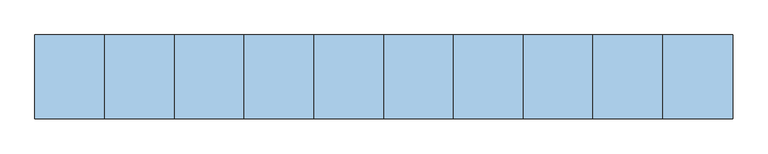
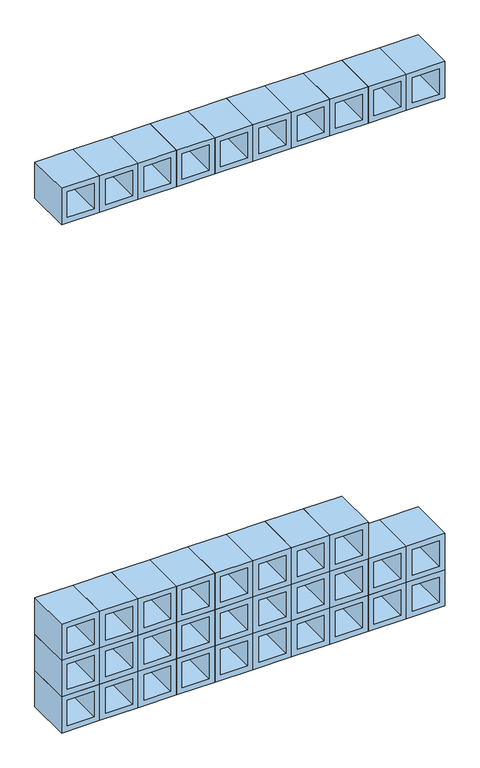
"""IFC4 building model written with IfcOpenShell, lengths in millimetres: window geometry."""

from ifc_helpers import new_model, si_unit, frame, origin, place, context, project, spatial, polyline, outline, extrude, source, transform, mapped, element, save


def window_ac12c204(model_context):
    return source(origin(), model_context, "Body", "SweptSolid", [
        extrude(outline(polyline([(1000.0, 300.0), (1100.0, 300.0), (1100.0, 200.0), (1000.0, 200.0), (1000.0, 300.0)]), holes=[polyline([(1085.0, 215.0), (1085.0, 285.0), (1015.0, 285.0), (1015.0, 215.0), (1085.0, 215.0)])]), frame((0.0, -60.0, 0.0), z_axis=(0.0, 1.0, 0.0), x_axis=(0.0, 0.0, 1.0)), (0.0, 0.0, 1.0), 120.0),
        extrude(outline(polyline([(1000.0, 200.0), (1100.0, 200.0), (1100.0, 100.0), (1000.0, 100.0), (1000.0, 200.0)]), holes=[polyline([(1085.0, 115.0), (1085.0, 185.0), (1015.0, 185.0), (1015.0, 115.0), (1085.0, 115.0)])]), frame((0.0, -60.0, 0.0), z_axis=(0.0, 1.0, 0.0), x_axis=(0.0, 0.0, 1.0)), (0.0, 0.0, 1.0), 120.0),
        extrude(outline(polyline([(1000.0, 100.0), (1100.0, 100.0), (1100.0, 0.0), (1000.0, 0.0), (1000.0, 100.0)]), holes=[polyline([(1085.0, 15.0), (1085.0, 85.0), (1015.0, 85.0), (1015.0, 15.0), (1085.0, 15.0)])]), frame((0.0, -60.0, 0.0), z_axis=(0.0, 1.0, 0.0), x_axis=(0.0, 0.0, 1.0)), (0.0, 0.0, 1.0), 120.0),
        extrude(outline(polyline([(1000.0, 0.0), (1100.0, 0.0), (1100.0, -100.0), (1000.0, -100.0), (1000.0, 0.0)]), holes=[polyline([(1085.0, -85.0), (1085.0, -15.0), (1015.0, -15.0), (1015.0, -85.0), (1085.0, -85.0)])]), frame((0.0, -60.0, 0.0), z_axis=(0.0, 1.0, 0.0), x_axis=(0.0, 0.0, 1.0)), (0.0, 0.0, 1.0), 120.0),
        extrude(outline(polyline([(1000.0, -100.0), (1100.0, -100.0), (1100.0, -200.0), (1000.0, -200.0), (1000.0, -100.0)]), holes=[polyline([(1085.0, -185.0), (1085.0, -115.0), (1015.0, -115.0), (1015.0, -185.0), (1085.0, -185.0)])]), frame((0.0, -60.0, 0.0), z_axis=(0.0, 1.0, 0.0), x_axis=(0.0, 0.0, 1.0)), (0.0, 0.0, 1.0), 120.0),
        extrude(outline(polyline([(1000.0, -200.0), (1100.0, -200.0), (1100.0, -300.0), (1000.0, -300.0), (1000.0, -200.0)]), holes=[polyline([(1085.0, -285.0), (1085.0, -215.0), (1015.0, -215.0), (1015.0, -285.0), (1085.0, -285.0)])]), frame((0.0, -60.0, 0.0), z_axis=(0.0, 1.0, 0.0), x_axis=(0.0, 0.0, 1.0)), (0.0, 0.0, 1.0), 120.0),
        extrude(outline(polyline([(1000.0, -300.0), (1100.0, -300.0), (1100.0, -400.0), (1000.0, -400.0), (1000.0, -300.0)]), holes=[polyline([(1085.0, -385.0), (1085.0, -315.0), (1015.0, -315.0), (1015.0, -385.0), (1085.0, -385.0)])]), frame((0.0, -60.0, 0.0), z_axis=(0.0, 1.0, 0.0), x_axis=(0.0, 0.0, 1.0)), (0.0, 0.0, 1.0), 120.0),
        extrude(outline(polyline([(1000.0, -400.0), (1100.0, -400.0), (1100.0, -500.0), (1000.0, -500.0), (1000.0, -400.0)]), holes=[polyline([(1085.0, -485.0), (1085.0, -415.0), (1015.0, -415.0), (1015.0, -485.0), (1085.0, -485.0)])]), frame((0.0, -60.0, 0.0), z_axis=(0.0, 1.0, 0.0), x_axis=(0.0, 0.0, 1.0)), (0.0, 0.0, 1.0), 120.0),
        extrude(outline(polyline([(900.0, 500.0), (1000.0, 500.0), (1000.0, 400.0), (900.0, 400.0), (900.0, 500.0)]), holes=[polyline([(985.0, 415.0), (985.0, 485.0), (915.0, 485.0), (915.0, 415.0), (985.0, 415.0)])]), frame((0.0, -60.0, 0.0), z_axis=(0.0, 1.0, 0.0), x_axis=(0.0, 0.0, 1.0)), (0.0, 0.0, 1.0), 120.0),
        extrude(outline(polyline([(900.0, 400.0), (1000.0, 400.0), (1000.0, 300.0), (900.0, 300.0), (900.0, 400.0)]), holes=[polyline([(985.0, 315.0), (985.0, 385.0), (915.0, 385.0), (915.0, 315.0), (985.0, 315.0)])]), frame((0.0, -60.0, 0.0), z_axis=(0.0, 1.0, 0.0), x_axis=(0.0, 0.0, 1.0)), (0.0, 0.0, 1.0), 120.0),
        extrude(outline(polyline([(900.0, 300.0), (1000.0, 300.0), (1000.0, 200.0), (900.0, 200.0), (900.0, 300.0)]), holes=[polyline([(985.0, 215.0), (985.0, 285.0), (915.0, 285.0), (915.0, 215.0), (985.0, 215.0)])]), frame((0.0, -60.0, 0.0), z_axis=(0.0, 1.0, 0.0), x_axis=(0.0, 0.0, 1.0)), (0.0, 0.0, 1.0), 120.0),
        extrude(outline(polyline([(900.0, 200.0), (1000.0, 200.0), (1000.0, 100.0), (900.0, 100.0), (900.0, 200.0)]), holes=[polyline([(985.0, 115.0), (985.0, 185.0), (915.0, 185.0), (915.0, 115.0), (985.0, 115.0)])]), frame((0.0, -60.0, 0.0), z_axis=(0.0, 1.0, 0.0), x_axis=(0.0, 0.0, 1.0)), (0.0, 0.0, 1.0), 120.0),
        extrude(outline(polyline([(900.0, 100.0), (1000.0, 100.0), (1000.0, 0.0), (900.0, 0.0), (900.0, 100.0)]), holes=[polyline([(985.0, 15.0), (985.0, 85.0), (915.0, 85.0), (915.0, 15.0), (985.0, 15.0)])]), frame((0.0, -60.0, 0.0), z_axis=(0.0, 1.0, 0.0), x_axis=(0.0, 0.0, 1.0)), (0.0, 0.0, 1.0), 120.0),
        extrude(outline(polyline([(900.0, 0.0), (1000.0, 0.0), (1000.0, -100.0), (900.0, -100.0), (900.0, 0.0)]), holes=[polyline([(985.0, -85.0), (985.0, -15.0), (915.0, -15.0), (915.0, -85.0), (985.0, -85.0)])]), frame((0.0, -60.0, 0.0), z_axis=(0.0, 1.0, 0.0), x_axis=(0.0, 0.0, 1.0)), (0.0, 0.0, 1.0), 120.0),
        extrude(outline(polyline([(900.0, -100.0), (1000.0, -100.0), (1000.0, -200.0), (900.0, -200.0), (900.0, -100.0)]), holes=[polyline([(985.0, -185.0), (985.0, -115.0), (915.0, -115.0), (915.0, -185.0), (985.0, -185.0)])]), frame((0.0, -60.0, 0.0), z_axis=(0.0, 1.0, 0.0), x_axis=(0.0, 0.0, 1.0)), (0.0, 0.0, 1.0), 120.0),
        extrude(outline(polyline([(900.0, -200.0), (1000.0, -200.0), (1000.0, -300.0), (900.0, -300.0), (900.0, -200.0)]), holes=[polyline([(985.0, -285.0), (985.0, -215.0), (915.0, -215.0), (915.0, -285.0), (985.0, -285.0)])]), frame((0.0, -60.0, 0.0), z_axis=(0.0, 1.0, 0.0), x_axis=(0.0, 0.0, 1.0)), (0.0, 0.0, 1.0), 120.0),
        extrude(outline(polyline([(900.0, -300.0), (1000.0, -300.0), (1000.0, -400.0), (900.0, -400.0), (900.0, -300.0)]), holes=[polyline([(985.0, -385.0), (985.0, -315.0), (915.0, -315.0), (915.0, -385.0), (985.0, -385.0)])]), frame((0.0, -60.0, 0.0), z_axis=(0.0, 1.0, 0.0), x_axis=(0.0, 0.0, 1.0)), (0.0, 0.0, 1.0), 120.0),
        extrude(outline(polyline([(900.0, -400.0), (1000.0, -400.0), (1000.0, -500.0), (900.0, -500.0), (900.0, -400.0)]), holes=[polyline([(985.0, -485.0), (985.0, -415.0), (915.0, -415.0), (915.0, -485.0), (985.0, -485.0)])]), frame((0.0, -60.0, 0.0), z_axis=(0.0, 1.0, 0.0), x_axis=(0.0, 0.0, 1.0)), (0.0, 0.0, 1.0), 120.0),
        extrude(outline(polyline([(2200.0, 500.0), (2300.0, 500.0), (2300.0, 400.0), (2200.0, 400.0), (2200.0, 500.0)]), holes=[polyline([(2285.0, 415.0), (2285.0, 485.0), (2215.0, 485.0), (2215.0, 415.0), (2285.0, 415.0)])]), frame((0.0, -60.0, 0.0), z_axis=(0.0, 1.0, 0.0), x_axis=(0.0, 0.0, 1.0)), (0.0, 0.0, 1.0), 120.0),
        extrude(outline(polyline([(2200.0, 400.0), (2300.0, 400.0), (2300.0, 300.0), (2200.0, 300.0), (2200.0, 400.0)]), holes=[polyline([(2285.0, 315.0), (2285.0, 385.0), (2215.0, 385.0), (2215.0, 315.0), (2285.0, 315.0)])]), frame((0.0, -60.0, 0.0), z_axis=(0.0, 1.0, 0.0), x_axis=(0.0, 0.0, 1.0)), (0.0, 0.0, 1.0), 120.0),
        extrude(outline(polyline([(2200.0, 300.0), (2300.0, 300.0), (2300.0, 200.0), (2200.0, 200.0), (2200.0, 300.0)]), holes=[polyline([(2285.0, 215.0), (2285.0, 285.0), (2215.0, 285.0), (2215.0, 215.0), (2285.0, 215.0)])]), frame((0.0, -60.0, 0.0), z_axis=(0.0, 1.0, 0.0), x_axis=(0.0, 0.0, 1.0)), (0.0, 0.0, 1.0), 120.0),
        extrude(outline(polyline([(2200.0, 200.0), (2300.0, 200.0), (2300.0, 100.0), (2200.0, 100.0), (2200.0, 200.0)]), holes=[polyline([(2285.0, 115.0), (2285.0, 185.0), (2215.0, 185.0), (2215.0, 115.0), (2285.0, 115.0)])]), frame((0.0, -60.0, 0.0), z_axis=(0.0, 1.0, 0.0), x_axis=(0.0, 0.0, 1.0)), (0.0, 0.0, 1.0), 120.0),
        extrude(outline(polyline([(2200.0, 100.0), (2300.0, 100.0), (2300.0, 0.0), (2200.0, 0.0), (2200.0, 100.0)]), holes=[polyline([(2285.0, 15.0), (2285.0, 85.0), (2215.0, 85.0), (2215.0, 15.0), (2285.0, 15.0)])]), frame((0.0, -60.0, 0.0), z_axis=(0.0, 1.0, 0.0), x_axis=(0.0, 0.0, 1.0)), (0.0, 0.0, 1.0), 120.0),
        extrude(outline(polyline([(2200.0, 0.0), (2300.0, 0.0), (2300.0, -100.0), (2200.0, -100.0), (2200.0, 0.0)]), holes=[polyline([(2285.0, -85.0), (2285.0, -15.0), (2215.0, -15.0), (2215.0, -85.0), (2285.0, -85.0)])]), frame((0.0, -60.0, 0.0), z_axis=(0.0, 1.0, 0.0), x_axis=(0.0, 0.0, 1.0)), (0.0, 0.0, 1.0), 120.0),
        extrude(outline(polyline([(2200.0, -100.0), (2300.0, -100.0), (2300.0, -200.0), (2200.0, -200.0), (2200.0, -100.0)]), holes=[polyline([(2285.0, -185.0), (2285.0, -115.0), (2215.0, -115.0), (2215.0, -185.0), (2285.0, -185.0)])]), frame((0.0, -60.0, 0.0), z_axis=(0.0, 1.0, 0.0), x_axis=(0.0, 0.0, 1.0)), (0.0, 0.0, 1.0), 120.0),
        extrude(outline(polyline([(2200.0, -200.0), (2300.0, -200.0), (2300.0, -300.0), (2200.0, -300.0), (2200.0, -200.0)]), holes=[polyline([(2285.0, -285.0), (2285.0, -215.0), (2215.0, -215.0), (2215.0, -285.0), (2285.0, -285.0)])]), frame((0.0, -60.0, 0.0), z_axis=(0.0, 1.0, 0.0), x_axis=(0.0, 0.0, 1.0)), (0.0, 0.0, 1.0), 120.0),
        extrude(outline(polyline([(2200.0, -300.0), (2300.0, -300.0), (2300.0, -400.0), (2200.0, -400.0), (2200.0, -300.0)]), holes=[polyline([(2285.0, -385.0), (2285.0, -315.0), (2215.0, -315.0), (2215.0, -385.0), (2285.0, -385.0)])]), frame((0.0, -60.0, 0.0), z_axis=(0.0, 1.0, 0.0), x_axis=(0.0, 0.0, 1.0)), (0.0, 0.0, 1.0), 120.0),
        extrude(outline(polyline([(2200.0, -400.0), (2300.0, -400.0), (2300.0, -500.0), (2200.0, -500.0), (2200.0, -400.0)]), holes=[polyline([(2285.0, -485.0), (2285.0, -415.0), (2215.0, -415.0), (2215.0, -485.0), (2285.0, -485.0)])]), frame((0.0, -60.0, 0.0), z_axis=(0.0, 1.0, 0.0), x_axis=(0.0, 0.0, 1.0)), (0.0, 0.0, 1.0), 120.0),
        extrude(outline(polyline([(800.0, 500.0), (900.0, 500.0), (900.0, 400.0), (800.0, 400.0), (800.0, 500.0)]), holes=[polyline([(885.0, 415.0), (885.0, 485.0), (815.0, 485.0), (815.0, 415.0), (885.0, 415.0)])]), frame((0.0, -60.0, 0.0), z_axis=(0.0, 1.0, 0.0), x_axis=(0.0, 0.0, 1.0)), (0.0, 0.0, 1.0), 120.0),
        extrude(outline(polyline([(800.0, 400.0), (900.0, 400.0), (900.0, 300.0), (800.0, 300.0), (800.0, 400.0)]), holes=[polyline([(885.0, 315.0), (885.0, 385.0), (815.0, 385.0), (815.0, 315.0), (885.0, 315.0)])]), frame((0.0, -60.0, 0.0), z_axis=(0.0, 1.0, 0.0), x_axis=(0.0, 0.0, 1.0)), (0.0, 0.0, 1.0), 120.0),
        extrude(outline(polyline([(800.0, 300.0), (900.0, 300.0), (900.0, 200.0), (800.0, 200.0), (800.0, 300.0)]), holes=[polyline([(885.0, 215.0), (885.0, 285.0), (815.0, 285.0), (815.0, 215.0), (885.0, 215.0)])]), frame((0.0, -60.0, 0.0), z_axis=(0.0, 1.0, 0.0), x_axis=(0.0, 0.0, 1.0)), (0.0, 0.0, 1.0), 120.0),
        extrude(outline(polyline([(800.0, 200.0), (900.0, 200.0), (900.0, 100.0), (800.0, 100.0), (800.0, 200.0)]), holes=[polyline([(885.0, 115.0), (885.0, 185.0), (815.0, 185.0), (815.0, 115.0), (885.0, 115.0)])]), frame((0.0, -60.0, 0.0), z_axis=(0.0, 1.0, 0.0), x_axis=(0.0, 0.0, 1.0)), (0.0, 0.0, 1.0), 120.0),
        extrude(outline(polyline([(800.0, 100.0), (900.0, 100.0), (900.0, 0.0), (800.0, 0.0), (800.0, 100.0)]), holes=[polyline([(885.0, 15.0), (885.0, 85.0), (815.0, 85.0), (815.0, 15.0), (885.0, 15.0)])]), frame((0.0, -60.0, 0.0), z_axis=(0.0, 1.0, 0.0), x_axis=(0.0, 0.0, 1.0)), (0.0, 0.0, 1.0), 120.0),
        extrude(outline(polyline([(800.0, 0.0), (900.0, 0.0), (900.0, -100.0), (800.0, -100.0), (800.0, 0.0)]), holes=[polyline([(885.0, -85.0), (885.0, -15.0), (815.0, -15.0), (815.0, -85.0), (885.0, -85.0)])]), frame((0.0, -60.0, 0.0), z_axis=(0.0, 1.0, 0.0), x_axis=(0.0, 0.0, 1.0)), (0.0, 0.0, 1.0), 120.0),
        extrude(outline(polyline([(800.0, -100.0), (900.0, -100.0), (900.0, -200.0), (800.0, -200.0), (800.0, -100.0)]), holes=[polyline([(885.0, -185.0), (885.0, -115.0), (815.0, -115.0), (815.0, -185.0), (885.0, -185.0)])]), frame((0.0, -60.0, 0.0), z_axis=(0.0, 1.0, 0.0), x_axis=(0.0, 0.0, 1.0)), (0.0, 0.0, 1.0), 120.0),
        extrude(outline(polyline([(800.0, -200.0), (900.0, -200.0), (900.0, -300.0), (800.0, -300.0), (800.0, -200.0)]), holes=[polyline([(885.0, -285.0), (885.0, -215.0), (815.0, -215.0), (815.0, -285.0), (885.0, -285.0)])]), frame((0.0, -60.0, 0.0), z_axis=(0.0, 1.0, 0.0), x_axis=(0.0, 0.0, 1.0)), (0.0, 0.0, 1.0), 120.0),
        extrude(outline(polyline([(800.0, -300.0), (900.0, -300.0), (900.0, -400.0), (800.0, -400.0), (800.0, -300.0)]), holes=[polyline([(885.0, -385.0), (885.0, -315.0), (815.0, -315.0), (815.0, -385.0), (885.0, -385.0)])]), frame((0.0, -60.0, 0.0), z_axis=(0.0, 1.0, 0.0), x_axis=(0.0, 0.0, 1.0)), (0.0, 0.0, 1.0), 120.0),
        extrude(outline(polyline([(800.0, -400.0), (900.0, -400.0), (900.0, -500.0), (800.0, -500.0), (800.0, -400.0)]), holes=[polyline([(885.0, -485.0), (885.0, -415.0), (815.0, -415.0), (815.0, -485.0), (885.0, -485.0)])]), frame((0.0, -60.0, 0.0), z_axis=(0.0, 1.0, 0.0), x_axis=(0.0, 0.0, 1.0)), (0.0, 0.0, 1.0), 120.0),
    ])


if __name__ == "__main__":
    model = new_model("IFC4")
    model_context = context("Model", 3, world=origin())
    ifc_project = project(units=[si_unit("LENGTHUNIT", "METRE", prefix="MILLI")], contexts=[model_context])
    site = spatial("IfcSite", under=ifc_project)
    building = spatial("IfcBuilding", under=site)
    placement = place(None, origin())
    window_shape = window_ac12c204(model_context)
    element("IfcWindow", 1, at=placement, inside=building, context=model_context, shape_type="MappedRepresentation", body=[
        mapped(window_shape, transform((0.0, 0.0, 0.0), x_axis=(1.0, 0.0, 0.0), y_axis=(0.0, 1.0, 0.0), z_axis=(0.0, 0.0, 1.0))),
    ])
    save(model, "model.ifc")
